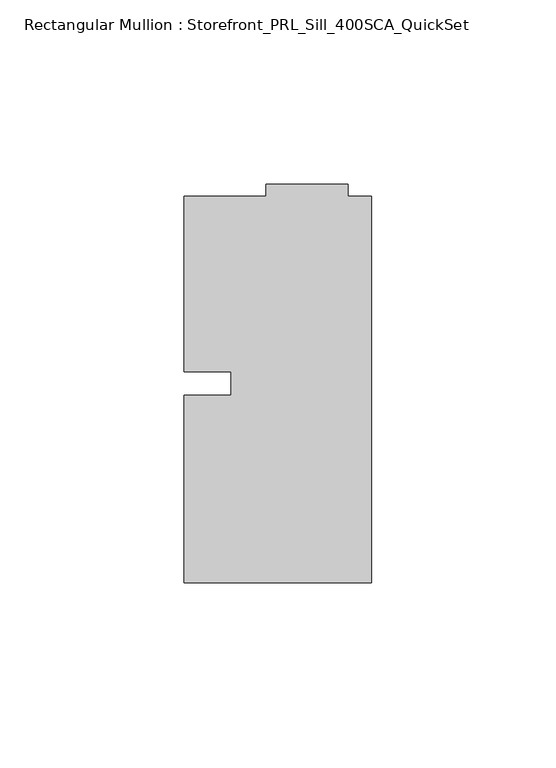
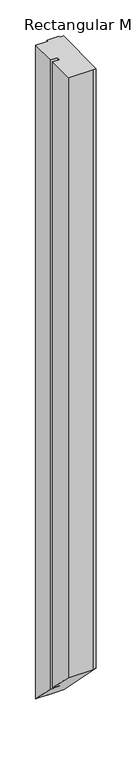
"""IFC4 building model written with IfcOpenShell, lengths in millimetres: member geometry, Rectangular Mullion : Storefront_PRL_Sill_400SCA_QuickSet."""

from ifc_helpers import new_model, si_unit, origin, place, context, project, spatial, faceted_brep, source, transform, mapped, element, save


def rectangular_mullion_storefront_prl_sill_400sca_quickset_7bc88625(model_context):
    return source(origin(), model_context, "Body", "Brep", [
        faceted_brep([(-38.1, -3.175, 0.0), (-50.8, -3.175, 0.0), (-50.8, -53.975, 0.0), (-6.35, -53.975, 0.0), (0.0, -53.975, 0.0), (0.0, 50.8, 0.0), (-6.35, 50.8, 0.0), (-6.35, 53.975, 0.0), (-28.575, 53.975, 0.0), (-28.575, 50.8, 0.0), (-50.8, 50.8, 0.0), (-50.8, 3.175, 0.0), (-38.1, 3.175, 0.0), (-38.1, -3.175, -1216.025), (-50.8, -3.175, -1216.025), (-50.8, -53.975, -1165.225), (-6.35, -53.975, -1165.225), (0.0, -53.975, -1165.225), (0.0, 50.8, -1270.0), (-6.35, 50.8, -1270.0), (-6.35, 53.975, -1273.175), (-28.575, 53.975, -1273.175), (-28.575, 50.8, -1270.0), (-50.8, 50.8, -1270.0), (-50.8, 3.175, -1222.375), (-38.1, 3.175, -1222.375)], [[[0, 1, 2, 3, 4, 5, 6, 7, 8, 9, 10, 11, 12]], [[1, 0, 13, 14]], [[2, 1, 14, 15]], [[3, 2, 15, 16]], [[4, 3, 16, 17]], [[5, 4, 17, 18]], [[6, 5, 18, 19]], [[7, 6, 19, 20]], [[8, 7, 20, 21]], [[9, 8, 21, 22]], [[10, 9, 22, 23]], [[11, 10, 23, 24]], [[12, 11, 24, 25]], [[0, 12, 25, 13]], [[13, 25, 24, 23, 22, 21, 20, 19, 18, 17, 16, 15, 14]]]),
    ])


if __name__ == "__main__":
    model = new_model("IFC4")
    model_context = context("Model", 3, world=origin())
    ifc_project = project(units=[si_unit("LENGTHUNIT", "METRE", prefix="MILLI")], contexts=[model_context])
    site = spatial("IfcSite", under=ifc_project)
    building = spatial("IfcBuilding", under=site)
    placement = place(None, origin())
    rectangular_mullion_storefront_prl_sill_400sca_quickset_shape = rectangular_mullion_storefront_prl_sill_400sca_quickset_7bc88625(model_context)
    element("IfcMember", 1, ObjectType="Rectangular Mullion : Storefront_PRL_Sill_400SCA_QuickSet", at=placement, inside=building, context=model_context, shape_type="MappedRepresentation", body=[
        mapped(rectangular_mullion_storefront_prl_sill_400sca_quickset_shape, transform((0.0, 0.0, 0.0), x_axis=(1.0, 0.0, 0.0), y_axis=(0.0, 1.0, 0.0), z_axis=(0.0, 0.0, 1.0))),
    ])
    save(model, "model.ifc")
